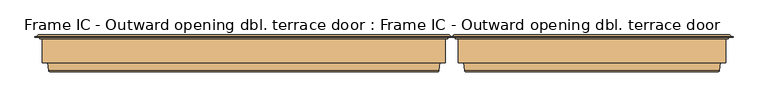
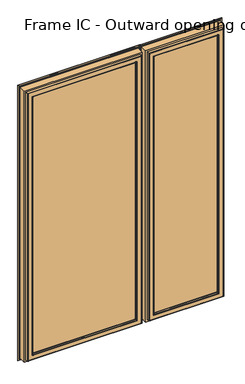
"""IFC4 building model written with IfcOpenShell, lengths in millimetres: door geometry, Frame IC - Outward opening dbl. terrace door : Frame IC - Outward opening dbl. terrace door."""

from ifc_helpers import new_model, si_unit, frame, origin, place, context, project, spatial, polyline, ellipse_curve, outline, extrude, source, transform, mapped, element, save
from ifc_brep_helpers import plane_surface, cylinder_surface, revolved_surface, advanced_brep


def frame_ic_outward_opening_dbl_terrace_door_frame_ic_outward_a9d4e4e5(model_context):
    return source(origin(), model_context, "Body", "SolidModel", [
        advanced_brep(
        [(358.1810635, 152.25, 86.6650635), (826.8509365, 152.25, 86.6650635), (831.1810635, 152.25, 82.3349365), (353.8509365, 152.25, 82.3349365), (314.016, 148.6168436, 2052.5), (314.016, 148.6168436, 42.5), (314.016, 145.5999985, 42.5), (314.016, 145.5999985, 2052.5), (312.0232373, 153.0, 2054.4927627), (312.0232373, 153.0, 40.5072373), (309.5015253, 150.478288, 37.9855253), (309.5015253, 150.478288, 2057.0144747), (366.6910766, 151.5847434, 1999.8249234), (366.6910766, 151.5847434, 95.1750766), (364.7784671, 153.0, 93.2624671), (364.7784671, 153.0, 2001.7375329), (369.5233403, 142.3208261, 1996.9926597), (369.5233403, 142.3208261, 98.0073403), (369.5233403, 141.0, 1996.9926597), (369.5233403, 141.0, 98.0073403), (351.1489982, 93.0, 2015.3670018), (351.1489982, 93.0, 79.6329982), (345.2553392, 141.0, 73.7393392), (345.2553392, 141.0, 2021.2606608), (369.516, 90.0, 1997.0), (369.516, 90.0, 98.0), (369.516, 93.0, 98.0), (369.516, 93.0, 1997.0), (369.4941475, 88.7920883, 1997.0218525), (369.4941475, 88.7920883, 97.9781475), (368.5159999, 90.0, 96.9999999), (368.5159999, 90.0, 1998.0000001), (367.7053091, 80.376265, 1998.8106909), (367.7053091, 80.376265, 96.1893091), (364.7708663, 78.0, 2001.7451337), (364.7708663, 78.0, 93.2548663), (332.9541949, 79.7562613, 2033.5618051), (332.9541949, 79.7562613, 61.4381949), (334.9392872, 78.0, 63.4232872), (334.9392872, 78.0, 2031.5767128), (330.9597146, 96.0, 2035.5562854), (330.9597146, 96.0, 59.4437146), (319.516, 145.5999985, 2047.0), (319.516, 145.5999985, 48.0), (319.516, 96.0, 48.0), (319.516, 96.0, 2047.0), (871.016, 148.6168436, 42.5), (871.016, 145.5999985, 42.5), (873.0087627, 153.0, 40.5072373), (875.5304747, 150.478288, 37.9855253), (818.3409234, 151.5847434, 95.1750766), (820.2535329, 153.0, 93.2624671), (815.5086597, 142.3208261, 98.0073403), (815.5086597, 141.0, 98.0073403), (833.8830018, 93.0, 79.6329982), (839.7766608, 141.0, 73.7393392), (815.516, 90.0, 98.0), (815.516, 93.0, 98.0), (815.5378525, 88.7920883, 97.9781475), (816.5160001, 90.0, 96.9999999), (817.3266909, 80.376265, 96.1893091), (820.2611337, 78.0, 93.2548663), (852.0778051, 79.7562613, 61.4381949), (850.0927128, 78.0, 63.4232872), (854.0722854, 96.0, 59.4437146), (865.516, 145.5999985, 48.0), (865.516, 96.0, 48.0), (871.016, 148.6168436, 2052.5), (871.016, 145.5999985, 2052.5), (873.0087627, 153.0, 2054.4927627), (875.5304747, 150.478288, 2057.0144747), (818.3409234, 151.5847434, 1999.8249234), (820.2535329, 153.0, 2001.7375329), (815.5086597, 142.3208261, 1996.9926597), (815.5086597, 141.0, 1996.9926597), (833.8830018, 93.0, 2015.3670018), (839.7766608, 141.0, 2021.2606608), (815.516, 90.0, 1997.0), (815.516, 93.0, 1997.0), (815.5378525, 88.7920883, 1997.0218525), (816.5160001, 90.0, 1998.0000001), (817.3266909, 80.376265, 1998.8106909), (820.2611337, 78.0, 2001.7451337), (852.0778051, 79.7562613, 2033.5618051), (850.0927128, 78.0, 2031.5767128), (854.0722854, 96.0, 2035.5562854), (865.516, 145.5999985, 2047.0), (865.516, 96.0, 2047.0), (304.3162849, 149.6865589, 32.8002849), (304.3162849, 149.6865589, 2062.1997151), (880.7157151, 149.6865589, 2062.1997151), (880.7157151, 149.6865589, 32.8002849), (309.5015253, 149.6865589, 2057.0144747), (309.5015253, 149.6865589, 37.9855253), (875.5304747, 149.6865589, 37.9855253), (875.5304747, 149.6865589, 2057.0144747), (359.4801016, 153.0, 87.9641016), (359.4801016, 153.0, 2007.0358984), (825.5518984, 153.0, 2007.0358984), (825.5518984, 153.0, 87.9641016), (304.3162849, 148.6168436, 32.8002849), (304.3162849, 148.6168436, 2062.1997151), (880.7157151, 148.6168436, 32.8002849), (880.7157151, 148.6168436, 2062.1997151), (353.8509365, 152.25, 2012.6650635), (352.5518984, 153.0, 81.0358984), (352.5518984, 153.0, 2013.9641016), (358.1810635, 152.25, 2008.3349365), (832.4801016, 153.0, 81.0358984), (831.1810635, 152.25, 2012.6650635), (832.4801016, 153.0, 2013.9641016), (826.8509365, 152.25, 2008.3349365)],
        [
            (0, 1),
            (1, 2, ellipse_curve(frame((829.016, 153.5, 84.5), z_axis=(0.7071067811865475, 0.0, 0.7071067811865475), x_axis=(0.7071067811865476, 0.0, -0.7071067811865474)), 3.5355339, 2.5)),
            (2, 3),
            (3, 0, ellipse_curve(frame((356.016, 153.5, 84.5), z_axis=(-0.7071067811865475, 0.0, 0.7071067811865475), x_axis=(0.7071067811865476, 0.0, 0.7071067811865474)), 3.5355339, 2.5)),
            (4, 5),
            (5, 6),
            (6, 7),
            (7, 4),
            (8, 9),
            (9, 10, ellipse_curve(frame((312.0232373, 150.478288, 40.5072373), z_axis=(-0.7071067811865475, 0.0, 0.7071067811865475), x_axis=(0.7071067811865474, 0.0, 0.7071067811865476)), 3.5662393, 2.521712)),
            (10, 11),
            (11, 8, ellipse_curve(frame((312.0232373, 150.478288, 2054.4927627), z_axis=(-0.7071067811865475, 0.0, -0.7071067811865475), x_axis=(-0.7071067811865474, 0.0, 0.7071067811865476)), 3.5662393, 2.521712)),
            (12, 13),
            (13, 14, ellipse_curve(frame((364.7784671, 151.0, 93.2624671), z_axis=(-0.7071067811865475, 0.0, 0.7071067811865475), x_axis=(0.7071067811865474, 0.0, 0.7071067811865476)), 2.8284271, 2.0)),
            (14, 15),
            (15, 12, ellipse_curve(frame((364.7784671, 151.0, 2001.7375329), z_axis=(-0.7071067811865475, 0.0, -0.7071067811865475), x_axis=(-0.7071067811865474, 0.0, 0.7071067811865476)), 2.8284271, 2.0)),
            (16, 17),
            (17, 13),
            (12, 16),
            (18, 19),
            (19, 17),
            (16, 18),
            (20, 21),
            (21, 22),
            (22, 23),
            (23, 20),
            (24, 25),
            (25, 26),
            (26, 27),
            (27, 24),
            (28, 29),
            (29, 30, ellipse_curve(frame((368.5159999, 89.0, 96.9999999), z_axis=(-0.7071067811865475, 0.0, 0.7071067811865475), x_axis=(0.7071067811865474, 0.0, 0.7071067811865476)), 1.4142136, 1.0)),
            (30, 31),
            (31, 28, ellipse_curve(frame((368.5159999, 89.0, 1998.0000001), z_axis=(-0.7071067811865475, 0.0, -0.7071067811865475), x_axis=(-0.7071067811865474, 0.0, 0.7071067811865476)), 1.4142136, 1.0)),
            (32, 33),
            (33, 29),
            (28, 32),
            (34, 35),
            (35, 33, ellipse_curve(frame((364.7708663, 81.0, 93.2548663), z_axis=(-0.7071067811865475, 0.0, 0.7071067811865475), x_axis=(0.7071067811865474, 0.0, 0.7071067811865476)), 4.2426407, 3.0)),
            (32, 34, ellipse_curve(frame((364.7708663, 81.0, 2001.7451337), z_axis=(-0.7071067811865475, 0.0, -0.7071067811865475), x_axis=(-0.7071067811865474, 0.0, 0.7071067811865476)), 4.2426407, 3.0)),
            (36, 37),
            (37, 38, ellipse_curve(frame((334.9392872, 80.0, 63.4232872), z_axis=(-0.7071067811865475, 0.0, 0.7071067811865475), x_axis=(0.7071067811865474, 0.0, 0.7071067811865476)), 2.8284271, 2.0)),
            (38, 39),
            (39, 36, ellipse_curve(frame((334.9392872, 80.0, 2031.5767128), z_axis=(-0.7071067811865475, 0.0, -0.7071067811865475), x_axis=(-0.7071067811865474, 0.0, 0.7071067811865476)), 2.8284271, 2.0)),
            (40, 41),
            (41, 37),
            (36, 40),
            (42, 43),
            (43, 44),
            (44, 45),
            (45, 42),
            (5, 46),
            (46, 47),
            (47, 6),
            (9, 48),
            (48, 49, ellipse_curve(frame((873.0087627, 150.478288, 40.5072373), z_axis=(-0.7071067811865475, 0.0, -0.7071067811865475), x_axis=(-0.7071067811865476, 0.0, 0.7071067811865474)), 3.5662393, 2.521712)),
            (49, 10),
            (13, 50),
            (50, 51, ellipse_curve(frame((820.2535329, 151.0, 93.2624671), z_axis=(-0.7071067811865475, 0.0, -0.7071067811865475), x_axis=(-0.7071067811865476, 0.0, 0.7071067811865474)), 2.8284271, 2.0)),
            (51, 14),
            (17, 52),
            (52, 50),
            (19, 53),
            (53, 52),
            (21, 54),
            (54, 55),
            (55, 22),
            (25, 56),
            (56, 57),
            (57, 26),
            (29, 58),
            (58, 59, ellipse_curve(frame((816.5160001, 89.0, 96.9999999), z_axis=(-0.7071067811865475, 0.0, -0.7071067811865475), x_axis=(-0.7071067811865476, 0.0, 0.7071067811865474)), 1.4142136, 1.0)),
            (59, 30),
            (33, 60),
            (60, 58),
            (35, 61),
            (61, 60, ellipse_curve(frame((820.2611337, 81.0, 93.2548663), z_axis=(-0.7071067811865475, 0.0, -0.7071067811865475), x_axis=(-0.7071067811865476, 0.0, 0.7071067811865474)), 4.2426407, 3.0)),
            (37, 62),
            (62, 63, ellipse_curve(frame((850.0927128, 80.0, 63.4232872), z_axis=(-0.7071067811865475, 0.0, -0.7071067811865475), x_axis=(-0.7071067811865476, 0.0, 0.7071067811865474)), 2.8284271, 2.0)),
            (63, 38),
            (41, 64),
            (64, 62),
            (43, 65),
            (65, 66),
            (66, 44),
            (46, 67),
            (67, 68),
            (68, 47),
            (48, 69),
            (69, 70, ellipse_curve(frame((873.0087627, 150.478288, 2054.4927627), z_axis=(0.7071067811865475, 0.0, -0.7071067811865475), x_axis=(-0.7071067811865474, 0.0, -0.7071067811865476)), 3.5662393, 2.521712)),
            (70, 49),
            (50, 71),
            (71, 72, ellipse_curve(frame((820.2535329, 151.0, 2001.7375329), z_axis=(0.7071067811865475, 0.0, -0.7071067811865475), x_axis=(-0.7071067811865474, 0.0, -0.7071067811865476)), 2.8284271, 2.0)),
            (72, 51),
            (52, 73),
            (73, 71),
            (53, 74),
            (74, 73),
            (54, 75),
            (75, 76),
            (76, 55),
            (56, 77),
            (77, 78),
            (78, 57),
            (58, 79),
            (79, 80, ellipse_curve(frame((816.5160001, 89.0, 1998.0000001), z_axis=(0.7071067811865475, 0.0, -0.7071067811865475), x_axis=(-0.7071067811865474, 0.0, -0.7071067811865476)), 1.4142136, 1.0)),
            (80, 59),
            (60, 81),
            (81, 79),
            (61, 82),
            (82, 81, ellipse_curve(frame((820.2611337, 81.0, 2001.7451337), z_axis=(0.7071067811865475, 0.0, -0.7071067811865475), x_axis=(-0.7071067811865474, 0.0, -0.7071067811865476)), 4.2426407, 3.0)),
            (62, 83),
            (83, 84, ellipse_curve(frame((850.0927128, 80.0, 2031.5767128), z_axis=(0.7071067811865475, 0.0, -0.7071067811865475), x_axis=(-0.7071067811865474, 0.0, -0.7071067811865476)), 2.8284271, 2.0)),
            (84, 63),
            (64, 85),
            (85, 83),
            (65, 86),
            (86, 87),
            (87, 66),
            (68, 7),
            (42, 86),
            (67, 4),
            (88, 89),
            (89, 90),
            (90, 91),
            (91, 88),
            (92, 93),
            (93, 94),
            (94, 95),
            (95, 92),
            (69, 8),
            (11, 70),
            (96, 97),
            (97, 98),
            (98, 99),
            (99, 96),
            (72, 15),
            (71, 12),
            (73, 16),
            (74, 18),
            (76, 23),
            (75, 20),
            (78, 27),
            (77, 24),
            (80, 31),
            (79, 28),
            (81, 32),
            (82, 34),
            (84, 39),
            (83, 36),
            (85, 40),
            (87, 45),
            (88, 100),
            (100, 101),
            (101, 89),
            (10, 93),
            (92, 11),
            (91, 102),
            (102, 100),
            (49, 94),
            (90, 103),
            (103, 102),
            (70, 95),
            (103, 101),
            (104, 3),
            (3, 105, ellipse_curve(frame((352.5518984, 151.5, 81.0358984), z_axis=(-0.7071067811865475, 0.0, 0.7071067811865475), x_axis=(0.7071067811865474, 0.0, 0.7071067811865476)), 2.1213203, 1.5)),
            (105, 106),
            (106, 104, ellipse_curve(frame((352.5518984, 151.5, 2013.9641016), z_axis=(-0.7071067811865475, 0.0, -0.7071067811865475), x_axis=(-0.7071067811865474, 0.0, 0.7071067811865476)), 2.1213203, 1.5)),
            (107, 0),
            (104, 107, ellipse_curve(frame((356.016, 153.5, 2010.5), z_axis=(0.7071067811865475, 0.0, 0.7071067811865475), x_axis=(0.7071067811865474, 0.0, -0.7071067811865476)), 3.5355339, 2.5)),
            (96, 0, ellipse_curve(frame((359.4801016, 151.5, 87.9641016), z_axis=(-0.7071067811865475, 0.0, 0.7071067811865475), x_axis=(0.7071067811865474, 0.0, 0.7071067811865476)), 2.1213203, 1.5)),
            (107, 97, ellipse_curve(frame((359.4801016, 151.5, 2007.0358984), z_axis=(-0.7071067811865475, 0.0, -0.7071067811865475), x_axis=(-0.7071067811865474, 0.0, 0.7071067811865476)), 2.1213203, 1.5)),
            (2, 108, ellipse_curve(frame((832.4801016, 151.5, 81.0358984), z_axis=(-0.7071067811865475, 0.0, -0.7071067811865475), x_axis=(-0.7071067811865476, 0.0, 0.7071067811865474)), 2.1213203, 1.5)),
            (108, 105),
            (99, 1, ellipse_curve(frame((825.5518984, 151.5, 87.9641016), z_axis=(-0.7071067811865475, 0.0, -0.7071067811865475), x_axis=(-0.7071067811865476, 0.0, 0.7071067811865474)), 2.1213203, 1.5)),
            (2, 109),
            (109, 110, ellipse_curve(frame((832.4801016, 151.5, 2013.9641016), z_axis=(0.7071067811865475, 0.0, -0.7071067811865475), x_axis=(-0.7071067811865474, 0.0, -0.7071067811865476)), 2.1213203, 1.5)),
            (110, 108),
            (1, 111),
            (111, 109, ellipse_curve(frame((829.016, 153.5, 2010.5), z_axis=(-0.7071067811865475, 0.0, 0.7071067811865475), x_axis=(0.7071067811865474, 0.0, 0.7071067811865476)), 3.5355339, 2.5)),
            (98, 111, ellipse_curve(frame((825.5518984, 151.5, 2007.0358984), z_axis=(0.7071067811865475, 0.0, -0.7071067811865475), x_axis=(-0.7071067811865474, 0.0, -0.7071067811865476)), 2.1213203, 1.5)),
            (110, 106),
            (109, 104),
            (111, 107),
        ],
        [
            revolved_surface(polyline([(831.5159999958048, 151.0, 84.5), (353.5160000041951, 151.0, 84.5)]), (319.516, 153.5, 84.5), (1.0, 0.0, 0.0)),
            plane_surface(frame((314.016, 145.5999985, 2052.5), z_axis=(-1.0, 0.0, 0.0), x_axis=(0.0, 0.0, -1.0))),
            cylinder_surface(frame((312.0232373, 150.478288, 2047.0), z_axis=(0.0, 0.0, 1.0), x_axis=(0.0, -1.0, 0.0)), 2.521712),
            cylinder_surface(frame((364.7784671, 151.0, 2047.0), z_axis=(0.0, 0.0, 1.0), x_axis=(0.0, -1.0, 0.0)), 2.0),
            plane_surface(frame((366.6910766, 151.5847434, 1999.8249234), z_axis=(0.9563047559629807, 0.2923717047229163, 0.0), x_axis=(0.0, 0.0, -1.0))),
            plane_surface(frame((369.5233403, 142.3208261, 1996.9926597), z_axis=(1.0, 0.0, 0.0), x_axis=(0.0, 0.0, -1.0))),
            plane_surface(frame((345.2553392, 141.0, 2021.2606608), z_axis=(0.9925461516413233, 0.12186934340513725, 0.0), x_axis=(0.0, 0.0, -1.0))),
            plane_surface(frame((369.516, 93.0, 1997.0), z_axis=(1.0, 0.0, 0.0), x_axis=(0.0, 0.0, -1.0))),
            cylinder_surface(frame((368.5159999, 89.0, 2047.0), z_axis=(0.0, 0.0, 1.0), x_axis=(0.0, -1.0, 0.0)), 1.0),
            plane_surface(frame((369.4941475, 88.7920883, 1997.0218525), z_axis=(0.9781476042228762, -0.2079116744029725, 0.0), x_axis=(0.0, 0.0, -1.0))),
            cylinder_surface(frame((364.7708663, 81.0, 2047.0), z_axis=(0.0, 0.0, 1.0), x_axis=(0.0, -1.0, 0.0)), 3.0),
            cylinder_surface(frame((334.9392872, 80.0, 2047.0), z_axis=(0.0, 0.0, 1.0), x_axis=(0.0, -1.0, 0.0)), 2.0),
            plane_surface(frame((332.9541949, 79.7562613, 2033.5618051), z_axis=(-0.9925461516416141, -0.12186934340276924, 0.0), x_axis=(0.0, 0.0, -1.0))),
            plane_surface(frame((319.516, 96.0, 2047.0), z_axis=(-1.0, 0.0, 0.0), x_axis=(0.0, 0.0, -1.0))),
            plane_surface(frame((314.016, 145.5999985, 42.5), z_axis=(0.0, 0.0, -1.0), x_axis=(1.0, 0.0, 0.0))),
            cylinder_surface(frame((319.516, 150.478288, 40.5072373), z_axis=(-1.0, 0.0, 0.0), x_axis=(0.0, -1.0, 0.0)), 2.521712),
            cylinder_surface(frame((319.516, 151.0, 93.2624671), z_axis=(-1.0, 0.0, 0.0), x_axis=(0.0, -1.0, 0.0)), 2.0),
            plane_surface(frame((366.6910766, 151.5847434, 95.1750766), z_axis=(0.0, 0.2923717047229163, 0.9563047559629807), x_axis=(1.0, 0.0, 0.0))),
            plane_surface(frame((369.5233403, 142.3208261, 98.0073403), z_axis=(0.0, 0.0, 1.0), x_axis=(1.0, 0.0, 0.0))),
            plane_surface(frame((345.2553392, 141.0, 73.7393392), z_axis=(0.0, 0.12186934340513725, 0.9925461516413233), x_axis=(1.0, 0.0, 0.0))),
            plane_surface(frame((369.516, 93.0, 98.0), z_axis=(0.0, 0.0, 1.0), x_axis=(1.0, 0.0, 0.0))),
            cylinder_surface(frame((319.516, 89.0, 96.9999999), z_axis=(-1.0, 0.0, 0.0), x_axis=(0.0, -1.0, 0.0)), 1.0),
            plane_surface(frame((369.4941475, 88.7920883, 97.9781475), z_axis=(0.0, -0.2079116744029725, 0.9781476042228762), x_axis=(1.0, 0.0, 0.0))),
            cylinder_surface(frame((319.516, 81.0, 93.2548663), z_axis=(-1.0, 0.0, 0.0), x_axis=(0.0, -1.0, 0.0)), 3.0),
            cylinder_surface(frame((319.516, 80.0, 63.4232872), z_axis=(-1.0, 0.0, 0.0), x_axis=(0.0, -1.0, 0.0)), 2.0),
            plane_surface(frame((332.9541949, 79.7562613, 61.4381949), z_axis=(0.0, -0.12186934340276924, -0.9925461516416141), x_axis=(1.0, 0.0, 0.0))),
            plane_surface(frame((319.516, 96.0, 48.0), z_axis=(0.0, 0.0, -1.0), x_axis=(1.0, 0.0, 0.0))),
            plane_surface(frame((871.016, 145.5999985, 42.5), z_axis=(1.0, 0.0, 0.0), x_axis=(0.0, 0.0, 1.0))),
            cylinder_surface(frame((873.0087627, 150.478288, 48.0), z_axis=(0.0, 0.0, -1.0), x_axis=(0.0, -1.0, 0.0)), 2.521712),
            cylinder_surface(frame((820.2535329, 151.0, 48.0), z_axis=(0.0, 0.0, -1.0), x_axis=(0.0, -1.0, 0.0)), 2.0),
            plane_surface(frame((818.3409234, 151.5847434, 95.1750766), z_axis=(-0.9563047559629807, 0.2923717047229163, 0.0), x_axis=(0.0, 0.0, 1.0))),
            plane_surface(frame((815.5086597, 142.3208261, 98.0073403), z_axis=(-1.0, 0.0, 0.0), x_axis=(0.0, 0.0, 1.0))),
            plane_surface(frame((839.7766608, 141.0, 73.7393392), z_axis=(-0.9925461516413233, 0.12186934340513725, 0.0), x_axis=(0.0, 0.0, 1.0))),
            plane_surface(frame((815.516, 93.0, 98.0), z_axis=(-1.0, 0.0, 0.0), x_axis=(0.0, 0.0, 1.0))),
            cylinder_surface(frame((816.5160001, 89.0, 48.0), z_axis=(0.0, 0.0, -1.0), x_axis=(0.0, -1.0, 0.0)), 1.0),
            plane_surface(frame((815.5378525, 88.7920883, 97.9781475), z_axis=(-0.9781476042228762, -0.2079116744029725, 0.0), x_axis=(0.0, 0.0, 1.0))),
            cylinder_surface(frame((820.2611337, 81.0, 48.0), z_axis=(0.0, 0.0, -1.0), x_axis=(0.0, -1.0, 0.0)), 3.0),
            cylinder_surface(frame((850.0927128, 80.0, 48.0), z_axis=(0.0, 0.0, -1.0), x_axis=(0.0, -1.0, 0.0)), 2.0),
            plane_surface(frame((852.0778051, 79.7562613, 61.4381949), z_axis=(0.9925461516416141, -0.12186934340276924, 0.0), x_axis=(0.0, 0.0, 1.0))),
            plane_surface(frame((865.516, 96.0, 48.0), z_axis=(1.0, 0.0, 0.0), x_axis=(0.0, 0.0, 1.0))),
            plane_surface(frame((865.516, 145.5999985, 2047.0), z_axis=(0.0, -1.0, 0.0), x_axis=(-1.0, 0.0, 0.0))),
            plane_surface(frame((871.016, 145.5999985, 2052.5), z_axis=(0.0, 0.0, 1.0), x_axis=(-1.0, 0.0, 0.0))),
            plane_surface(frame((880.7157151, 149.6865589, 2062.1997151), z_axis=(0.0, 1.0, 0.0), x_axis=(-1.0, 0.0, 0.0))),
            cylinder_surface(frame((865.516, 150.478288, 2054.4927627), z_axis=(1.0, 0.0, 0.0), x_axis=(0.0, -1.0, 0.0)), 2.521712),
            plane_surface(frame((825.5518984, 153.0, 2007.0358984), z_axis=(0.0, 1.0, 0.0), x_axis=(-1.0, 0.0, 0.0))),
            cylinder_surface(frame((865.516, 151.0, 2001.7375329), z_axis=(1.0, 0.0, 0.0), x_axis=(0.0, -1.0, 0.0)), 2.0),
            plane_surface(frame((818.3409234, 151.5847434, 1999.8249234), z_axis=(0.0, 0.2923717047229163, -0.9563047559629807), x_axis=(-1.0, 0.0, 0.0))),
            plane_surface(frame((815.5086597, 142.3208261, 1996.9926597), z_axis=(0.0, 0.0, -1.0), x_axis=(-1.0, 0.0, 0.0))),
            plane_surface(frame((815.5086597, 141.0, 1996.9926597), z_axis=(0.0, -1.0, 0.0), x_axis=(-1.0, 0.0, 0.0))),
            plane_surface(frame((839.7766608, 141.0, 2021.2606608), z_axis=(0.0, 0.12186934340513725, -0.9925461516413233), x_axis=(-1.0, 0.0, 0.0))),
            plane_surface(frame((833.8830018, 93.0, 2015.3670018), z_axis=(0.0, 1.0, 0.0), x_axis=(-1.0, 0.0, 0.0))),
            plane_surface(frame((815.516, 93.0, 1997.0), z_axis=(0.0, 0.0, -1.0), x_axis=(-1.0, 0.0, 0.0))),
            plane_surface(frame((815.516, 90.0, 1997.0), z_axis=(0.0, -1.0, 0.0), x_axis=(-1.0, 0.0, 0.0))),
            cylinder_surface(frame((865.516, 89.0, 1998.0000001), z_axis=(1.0, 0.0, 0.0), x_axis=(0.0, -1.0, 0.0)), 1.0),
            plane_surface(frame((815.5378525, 88.7920883, 1997.0218525), z_axis=(0.0, -0.2079116744029725, -0.9781476042228762), x_axis=(-1.0, 0.0, 0.0))),
            cylinder_surface(frame((865.516, 81.0, 2001.7451337), z_axis=(1.0, 0.0, 0.0), x_axis=(0.0, -1.0, 0.0)), 3.0),
            plane_surface(frame((820.2611337, 78.0, 2001.7451337), z_axis=(0.0, -1.0, 0.0), x_axis=(-1.0, 0.0, 0.0))),
            cylinder_surface(frame((865.516, 80.0, 2031.5767128), z_axis=(1.0, 0.0, 0.0), x_axis=(0.0, -1.0, 0.0)), 2.0),
            plane_surface(frame((852.0778051, 79.7562613, 2033.5618051), z_axis=(0.0, -0.12186934340276924, 0.9925461516416141), x_axis=(-1.0, 0.0, 0.0))),
            plane_surface(frame((854.0722854, 96.0, 2035.5562854), z_axis=(0.0, -1.0, 0.0), x_axis=(-1.0, 0.0, 0.0))),
            plane_surface(frame((865.516, 96.0, 2047.0), z_axis=(0.0, 0.0, 1.0), x_axis=(-1.0, 0.0, 0.0))),
            plane_surface(frame((304.3162849, 148.6168436, 2062.1997151), z_axis=(-1.0, 0.0, 0.0), x_axis=(0.0, 0.0, -1.0))),
            plane_surface(frame((309.5015253, 149.6865589, 2057.0144747), z_axis=(-1.0, 0.0, 0.0), x_axis=(0.0, 0.0, -1.0))),
            plane_surface(frame((304.3162849, 148.6168436, 32.8002849), z_axis=(0.0, 0.0, -1.0), x_axis=(1.0, 0.0, 0.0))),
            plane_surface(frame((309.5015253, 149.6865589, 37.9855253), z_axis=(0.0, 0.0, -1.0), x_axis=(1.0, 0.0, 0.0))),
            plane_surface(frame((880.7157151, 148.6168436, 32.8002849), z_axis=(1.0, 0.0, 0.0), x_axis=(0.0, 0.0, 1.0))),
            plane_surface(frame((875.5304747, 149.6865589, 37.9855253), z_axis=(1.0, 0.0, 0.0), x_axis=(0.0, 0.0, 1.0))),
            plane_surface(frame((871.016, 148.6168436, 2052.5), z_axis=(0.0, -1.0, 0.0), x_axis=(-1.0, 0.0, 0.0))),
            plane_surface(frame((880.7157151, 148.6168436, 2062.1997151), z_axis=(0.0, 0.0, 1.0), x_axis=(-1.0, 0.0, 0.0))),
            plane_surface(frame((875.5304747, 149.6865589, 2057.0144747), z_axis=(0.0, 0.0, 1.0), x_axis=(-1.0, 0.0, 0.0))),
            cylinder_surface(frame((352.5518984, 151.5, 2047.0), z_axis=(0.0, 0.0, 1.0), x_axis=(0.0, -1.0, 0.0)), 1.5),
            revolved_surface(polyline([(356.016, 151.0, 82.00000000419504), (356.016, 151.0, 2012.999999995805)]), (356.016, 153.5, 2047.0), (0.0, 0.0, -1.0)),
            cylinder_surface(frame((359.4801016, 151.5, 2047.0), z_axis=(0.0, 0.0, 1.0), x_axis=(0.0, -1.0, 0.0)), 1.5),
            cylinder_surface(frame((319.516, 151.5, 81.0358984), z_axis=(-1.0, 0.0, 0.0), x_axis=(0.0, -1.0, 0.0)), 1.5),
            cylinder_surface(frame((319.516, 151.5, 87.9641016), z_axis=(-1.0, 0.0, 0.0), x_axis=(0.0, -1.0, 0.0)), 1.5),
            cylinder_surface(frame((832.4801016, 151.5, 48.0), z_axis=(0.0, 0.0, -1.0), x_axis=(0.0, -1.0, 0.0)), 1.5),
            revolved_surface(polyline([(829.016, 151.0, 2012.999999995805), (829.016, 151.0, 82.00000000419507)]), (829.016, 153.5, 48.0), (0.0, 0.0, 1.0)),
            cylinder_surface(frame((825.5518984, 151.5, 48.0), z_axis=(0.0, 0.0, -1.0), x_axis=(0.0, -1.0, 0.0)), 1.5),
            plane_surface(frame((873.0087627, 153.0, 2054.4927627), z_axis=(0.0, 1.0, 0.0), x_axis=(-1.0, 0.0, 0.0))),
            cylinder_surface(frame((865.516, 151.5, 2013.9641016), z_axis=(1.0, 0.0, 0.0), x_axis=(0.0, -1.0, 0.0)), 1.5),
            revolved_surface(polyline([(353.5160000041951, 151.0, 2010.5), (831.5159999958049, 151.0, 2010.5)]), (865.516, 153.5, 2010.5), (-1.0, 0.0, 0.0)),
            cylinder_surface(frame((865.516, 151.5, 2007.0358984), z_axis=(1.0, 0.0, 0.0), x_axis=(0.0, -1.0, 0.0)), 1.5),
        ],
        [
            (0, [[1, 2, 3, 4]]),
            (1, [[5, 6, 7, 8]]),
            (2, [[9, 10, 11, 12]]),
            (3, [[13, 14, 15, 16]]),
            (4, [[17, 18, -13, 19]]),
            (5, [[20, 21, -17, 22]]),
            (6, [[23, 24, 25, 26]]),
            (7, [[27, 28, 29, 30]]),
            (8, [[31, 32, 33, 34]]),
            (9, [[35, 36, -31, 37]]),
            (10, [[38, 39, -35, 40]]),
            (11, [[41, 42, 43, 44]]),
            (12, [[45, 46, -41, 47]]),
            (13, [[48, 49, 50, 51]]),
            (14, [[52, 53, 54, -6]]),
            (15, [[55, 56, 57, -10]]),
            (16, [[58, 59, 60, -14]]),
            (17, [[61, 62, -58, -18]]),
            (18, [[63, 64, -61, -21]]),
            (19, [[65, 66, 67, -24]]),
            (20, [[68, 69, 70, -28]]),
            (21, [[71, 72, 73, -32]]),
            (22, [[74, 75, -71, -36]]),
            (23, [[76, 77, -74, -39]]),
            (24, [[78, 79, 80, -42]]),
            (25, [[81, 82, -78, -46]]),
            (26, [[83, 84, 85, -49]]),
            (27, [[86, 87, 88, -53]]),
            (28, [[89, 90, 91, -56]]),
            (29, [[92, 93, 94, -59]]),
            (30, [[95, 96, -92, -62]]),
            (31, [[97, 98, -95, -64]]),
            (32, [[99, 100, 101, -66]]),
            (33, [[102, 103, 104, -69]]),
            (34, [[105, 106, 107, -72]]),
            (35, [[108, 109, -105, -75]]),
            (36, [[110, 111, -108, -77]]),
            (37, [[112, 113, 114, -79]]),
            (38, [[115, 116, -112, -82]]),
            (39, [[117, 118, 119, -84]]),
            (40, [[-7, -54, -88, 120], [-48, 121, -117, -83]]),
            (41, [[122, -8, -120, -87]]),
            (42, [[123, 124, 125, 126], [127, 128, 129, 130]]),
            (43, [[131, -12, 132, -90]]),
            (44, [[133, 134, 135, 136], [-15, -60, -94, 137]]),
            (45, [[138, -16, -137, -93]]),
            (46, [[139, -19, -138, -96]]),
            (47, [[140, -22, -139, -98]]),
            (48, [[-25, -67, -101, 141], [-20, -140, -97, -63]]),
            (49, [[142, -26, -141, -100]]),
            (50, [[-23, -142, -99, -65], [-29, -70, -104, 143]]),
            (51, [[144, -30, -143, -103]]),
            (52, [[-33, -73, -107, 145], [-27, -144, -102, -68]]),
            (53, [[146, -34, -145, -106]]),
            (54, [[147, -37, -146, -109]]),
            (55, [[148, -40, -147, -111]]),
            (56, [[-43, -80, -114, 149], [-38, -148, -110, -76]]),
            (57, [[150, -44, -149, -113]]),
            (58, [[151, -47, -150, -116]]),
            (59, [[-50, -85, -119, 152], [-45, -151, -115, -81]]),
            (60, [[-121, -51, -152, -118]]),
            (61, [[-123, 153, 154, 155]]),
            (62, [[-11, 156, -127, 157]]),
            (63, [[-126, 158, 159, -153]]),
            (64, [[-57, 160, -128, -156]]),
            (65, [[-125, 161, 162, -158]]),
            (66, [[-91, 163, -129, -160]]),
            (67, [[-154, -159, -162, 164], [-5, -122, -86, -52]]),
            (68, [[-124, -155, -164, -161]]),
            (69, [[-132, -157, -130, -163]]),
            (70, [[165, 166, 167, 168]]),
            (71, [[169, -4, -165, 170]]),
            (72, [[-133, 171, -169, 172]]),
            (73, [[-3, 173, 174, -166]]),
            (74, [[-136, 175, -1, -171]]),
            (75, [[176, 177, 178, -173]]),
            (76, [[179, 180, -176, -2]]),
            (77, [[-135, 181, -179, -175]]),
            (78, [[-9, -131, -89, -55], [-167, -174, -178, 182]]),
            (79, [[183, -168, -182, -177]]),
            (80, [[184, -170, -183, -180]]),
            (81, [[-134, -172, -184, -181]]),
        ],
    ),
        extrude(outline(polyline([(356.516, 93.0110098), (356.516, 141.0110098), (828.516, 141.0110098), (828.516, 93.0110098), (356.516, 93.0110098)])), frame((0.0, 0.0, 85.0), z_axis=(0.0, 0.0, 1.0), x_axis=(1.0, 0.0, 0.0)), (0.0, 0.0, 1.0), 1925.0),
        advanced_brep(
        [(254.8509365, 152.25, 86.6650635), (259.1810635, 152.25, 82.3349365), (-494.1490635, 152.25, 82.3349365), (-489.8189365, 152.25, 86.6650635), (299.016, 148.6168436, 2052.5), (299.016, 145.5999985, 2052.5), (299.016, 145.5999985, 42.5), (299.016, 148.6168436, 42.5), (301.0087627, 153.0, 2054.4927627), (303.5304747, 150.478288, 2057.0144747), (303.5304747, 150.478288, 37.9855253), (301.0087627, 153.0, 40.5072373), (246.3409234, 151.5847434, 1999.8249234), (248.2535329, 153.0, 2001.7375329), (248.2535329, 153.0, 93.2624671), (246.3409234, 151.5847434, 95.1750766), (243.5086597, 142.3208261, 1996.9926597), (243.5086597, 142.3208261, 98.0073403), (243.5086597, 141.0, 1996.9926597), (243.5086597, 141.0, 98.0073403), (261.8830018, 93.0, 2015.3670018), (267.7766608, 141.0, 2021.2606608), (267.7766608, 141.0, 73.7393392), (261.8830018, 93.0, 79.6329982), (243.516, 90.0, 1997.0), (243.516, 93.0, 1997.0), (243.516, 93.0, 98.0), (243.516, 90.0, 98.0), (243.5378525, 88.7920883, 1997.0218525), (244.5160001, 90.0, 1998.0000001), (244.5160001, 90.0, 96.9999999), (243.5378525, 88.7920883, 97.9781475), (245.3266909, 80.376265, 1998.8106909), (245.3266909, 80.376265, 96.1893091), (248.2611337, 78.0, 2001.7451337), (248.2611337, 78.0, 93.2548663), (280.0778051, 79.7562613, 2033.5618051), (278.0927128, 78.0, 2031.5767128), (278.0927128, 78.0, 63.4232872), (280.0778051, 79.7562613, 61.4381949), (282.0722854, 96.0, 2035.5562854), (282.0722854, 96.0, 59.4437146), (293.516, 145.5999985, 2047.0), (293.516, 96.0, 2047.0), (293.516, 96.0, 48.0), (293.516, 145.5999985, 48.0), (-533.984, 145.5999985, 42.5), (-533.984, 148.6168436, 42.5), (-538.4984747, 150.478288, 37.9855253), (-535.9767627, 153.0, 40.5072373), (-483.2215329, 153.0, 93.2624671), (-481.3089234, 151.5847434, 95.1750766), (-478.4766597, 142.3208261, 98.0073403), (-478.4766597, 141.0, 98.0073403), (-502.7446608, 141.0, 73.7393392), (-496.8510018, 93.0, 79.6329982), (-478.484, 93.0, 98.0), (-478.484, 90.0, 98.0), (-479.4840001, 90.0, 96.9999999), (-478.5058525, 88.7920883, 97.9781475), (-480.2946909, 80.376265, 96.1893091), (-483.2291337, 78.0, 93.2548663), (-513.0607128, 78.0, 63.4232872), (-515.0458051, 79.7562613, 61.4381949), (-517.0402854, 96.0, 59.4437146), (-528.484, 96.0, 48.0), (-528.484, 145.5999985, 48.0), (-533.984, 145.5999985, 2052.5), (-533.984, 148.6168436, 2052.5), (-538.4984747, 150.478288, 2057.0144747), (-535.9767627, 153.0, 2054.4927627), (-483.2215329, 153.0, 2001.7375329), (-481.3089234, 151.5847434, 1999.8249234), (-478.4766597, 142.3208261, 1996.9926597), (-478.4766597, 141.0, 1996.9926597), (-502.7446608, 141.0, 2021.2606608), (-496.8510018, 93.0, 2015.3670018), (-478.484, 93.0, 1997.0), (-478.484, 90.0, 1997.0), (-479.4840001, 90.0, 1998.0000001), (-478.5058525, 88.7920883, 1997.0218525), (-480.2946909, 80.376265, 1998.8106909), (-483.2291337, 78.0, 2001.7451337), (-513.0607128, 78.0, 2031.5767128), (-515.0458051, 79.7562613, 2033.5618051), (-517.0402854, 96.0, 2035.5562854), (-528.484, 96.0, 2047.0), (-528.484, 145.5999985, 2047.0), (308.7157151, 149.6865589, 32.8002849), (-543.6837151, 149.6865589, 32.8002849), (-543.6837151, 149.6865589, 2062.1997151), (308.7157151, 149.6865589, 2062.1997151), (303.5304747, 149.6865589, 2057.0144747), (-538.4984747, 149.6865589, 2057.0144747), (-538.4984747, 149.6865589, 37.9855253), (303.5304747, 149.6865589, 37.9855253), (253.5518984, 153.0, 87.9641016), (-488.5198984, 153.0, 87.9641016), (-488.5198984, 153.0, 2007.0358984), (253.5518984, 153.0, 2007.0358984), (308.7157151, 148.6168436, 2062.1997151), (308.7157151, 148.6168436, 32.8002849), (-543.6837151, 148.6168436, 32.8002849), (-543.6837151, 148.6168436, 2062.1997151), (259.1810635, 152.25, 2012.6650635), (260.4801016, 153.0, 2013.9641016), (260.4801016, 153.0, 81.0358984), (254.8509365, 152.25, 2008.3349365), (-495.4481016, 153.0, 81.0358984), (-495.4481016, 153.0, 2013.9641016), (-494.1490635, 152.25, 2012.6650635), (-489.8189365, 152.25, 2008.3349365)],
        [
            (0, 1, ellipse_curve(frame((257.016, 153.5, 84.5), z_axis=(0.7071067811865475, 0.0, 0.7071067811865475), x_axis=(-0.7071067811865476, 0.0, 0.7071067811865474)), 3.5355339, 2.5)),
            (1, 2),
            (2, 3, ellipse_curve(frame((-491.984, 153.5, 84.5), z_axis=(-0.7071067811865475, 0.0, 0.7071067811865475), x_axis=(-0.7071067811865476, 0.0, -0.7071067811865474)), 3.5355339, 2.5)),
            (3, 0),
            (4, 5),
            (5, 6),
            (6, 7),
            (7, 4),
            (8, 9, ellipse_curve(frame((301.0087627, 150.478288, 2054.4927627), z_axis=(0.7071067811865475, 0.0, -0.7071067811865475), x_axis=(0.7071067811865474, 0.0, 0.7071067811865476)), 3.5662393, 2.521712)),
            (9, 10),
            (10, 11, ellipse_curve(frame((301.0087627, 150.478288, 40.5072373), z_axis=(0.7071067811865475, 0.0, 0.7071067811865475), x_axis=(-0.7071067811865474, 0.0, 0.7071067811865476)), 3.5662393, 2.521712)),
            (11, 8),
            (12, 13, ellipse_curve(frame((248.2535329, 151.0, 2001.7375329), z_axis=(0.7071067811865475, 0.0, -0.7071067811865475), x_axis=(0.7071067811865474, 0.0, 0.7071067811865476)), 2.8284271, 2.0)),
            (13, 14),
            (14, 15, ellipse_curve(frame((248.2535329, 151.0, 93.2624671), z_axis=(0.7071067811865475, 0.0, 0.7071067811865475), x_axis=(-0.7071067811865474, 0.0, 0.7071067811865476)), 2.8284271, 2.0)),
            (15, 12),
            (16, 12),
            (15, 17),
            (17, 16),
            (18, 16),
            (17, 19),
            (19, 18),
            (20, 21),
            (21, 22),
            (22, 23),
            (23, 20),
            (24, 25),
            (25, 26),
            (26, 27),
            (27, 24),
            (28, 29, ellipse_curve(frame((244.5160001, 89.0, 1998.0000001), z_axis=(0.7071067811865475, 0.0, -0.7071067811865475), x_axis=(0.7071067811865474, 0.0, 0.7071067811865476)), 1.4142136, 1.0)),
            (29, 30),
            (30, 31, ellipse_curve(frame((244.5160001, 89.0, 96.9999999), z_axis=(0.7071067811865475, 0.0, 0.7071067811865475), x_axis=(-0.7071067811865474, 0.0, 0.7071067811865476)), 1.4142136, 1.0)),
            (31, 28),
            (32, 28),
            (31, 33),
            (33, 32),
            (34, 32, ellipse_curve(frame((248.2611337, 81.0, 2001.7451337), z_axis=(0.7071067811865475, 0.0, -0.7071067811865475), x_axis=(0.7071067811865474, 0.0, 0.7071067811865476)), 4.2426407, 3.0)),
            (33, 35, ellipse_curve(frame((248.2611337, 81.0, 93.2548663), z_axis=(0.7071067811865475, 0.0, 0.7071067811865475), x_axis=(-0.7071067811865474, 0.0, 0.7071067811865476)), 4.2426407, 3.0)),
            (35, 34),
            (36, 37, ellipse_curve(frame((278.0927128, 80.0, 2031.5767128), z_axis=(0.7071067811865475, 0.0, -0.7071067811865475), x_axis=(0.7071067811865474, 0.0, 0.7071067811865476)), 2.8284271, 2.0)),
            (37, 38),
            (38, 39, ellipse_curve(frame((278.0927128, 80.0, 63.4232872), z_axis=(0.7071067811865475, 0.0, 0.7071067811865475), x_axis=(-0.7071067811865474, 0.0, 0.7071067811865476)), 2.8284271, 2.0)),
            (39, 36),
            (40, 36),
            (39, 41),
            (41, 40),
            (42, 43),
            (43, 44),
            (44, 45),
            (45, 42),
            (6, 46),
            (46, 47),
            (47, 7),
            (10, 48),
            (48, 49, ellipse_curve(frame((-535.9767627, 150.478288, 40.5072373), z_axis=(0.7071067811865475, 0.0, -0.7071067811865475), x_axis=(0.7071067811865476, 0.0, 0.7071067811865474)), 3.5662393, 2.521712)),
            (49, 11),
            (14, 50),
            (50, 51, ellipse_curve(frame((-483.2215329, 151.0, 93.2624671), z_axis=(0.7071067811865475, 0.0, -0.7071067811865475), x_axis=(0.7071067811865476, 0.0, 0.7071067811865474)), 2.8284271, 2.0)),
            (51, 15),
            (51, 52),
            (52, 17),
            (52, 53),
            (53, 19),
            (22, 54),
            (54, 55),
            (55, 23),
            (26, 56),
            (56, 57),
            (57, 27),
            (30, 58),
            (58, 59, ellipse_curve(frame((-479.4840001, 89.0, 96.9999999), z_axis=(0.7071067811865475, 0.0, -0.7071067811865475), x_axis=(0.7071067811865476, 0.0, 0.7071067811865474)), 1.4142136, 1.0)),
            (59, 31),
            (59, 60),
            (60, 33),
            (60, 61, ellipse_curve(frame((-483.2291337, 81.0, 93.2548663), z_axis=(0.7071067811865475, 0.0, -0.7071067811865475), x_axis=(0.7071067811865476, 0.0, 0.7071067811865474)), 4.2426407, 3.0)),
            (61, 35),
            (38, 62),
            (62, 63, ellipse_curve(frame((-513.0607128, 80.0, 63.4232872), z_axis=(0.7071067811865475, 0.0, -0.7071067811865475), x_axis=(0.7071067811865476, 0.0, 0.7071067811865474)), 2.8284271, 2.0)),
            (63, 39),
            (63, 64),
            (64, 41),
            (44, 65),
            (65, 66),
            (66, 45),
            (46, 67),
            (67, 68),
            (68, 47),
            (48, 69),
            (69, 70, ellipse_curve(frame((-535.9767627, 150.478288, 2054.4927627), z_axis=(-0.7071067811865475, 0.0, -0.7071067811865475), x_axis=(0.7071067811865474, 0.0, -0.7071067811865476)), 3.5662393, 2.521712)),
            (70, 49),
            (50, 71),
            (71, 72, ellipse_curve(frame((-483.2215329, 151.0, 2001.7375329), z_axis=(-0.7071067811865475, 0.0, -0.7071067811865475), x_axis=(0.7071067811865474, 0.0, -0.7071067811865476)), 2.8284271, 2.0)),
            (72, 51),
            (72, 73),
            (73, 52),
            (73, 74),
            (74, 53),
            (54, 75),
            (75, 76),
            (76, 55),
            (56, 77),
            (77, 78),
            (78, 57),
            (58, 79),
            (79, 80, ellipse_curve(frame((-479.4840001, 89.0, 1998.0000001), z_axis=(-0.7071067811865475, 0.0, -0.7071067811865475), x_axis=(0.7071067811865474, 0.0, -0.7071067811865476)), 1.4142136, 1.0)),
            (80, 59),
            (80, 81),
            (81, 60),
            (81, 82, ellipse_curve(frame((-483.2291337, 81.0, 2001.7451337), z_axis=(-0.7071067811865475, 0.0, -0.7071067811865475), x_axis=(0.7071067811865474, 0.0, -0.7071067811865476)), 4.2426407, 3.0)),
            (82, 61),
            (62, 83),
            (83, 84, ellipse_curve(frame((-513.0607128, 80.0, 2031.5767128), z_axis=(-0.7071067811865475, 0.0, -0.7071067811865475), x_axis=(0.7071067811865474, 0.0, -0.7071067811865476)), 2.8284271, 2.0)),
            (84, 63),
            (84, 85),
            (85, 64),
            (65, 86),
            (86, 87),
            (87, 66),
            (5, 67),
            (87, 42),
            (4, 68),
            (88, 89),
            (89, 90),
            (90, 91),
            (91, 88),
            (92, 93),
            (93, 94),
            (94, 95),
            (95, 92),
            (69, 9),
            (8, 70),
            (96, 97),
            (97, 98),
            (98, 99),
            (99, 96),
            (13, 71),
            (12, 72),
            (16, 73),
            (18, 74),
            (21, 75),
            (20, 76),
            (25, 77),
            (24, 78),
            (29, 79),
            (28, 80),
            (32, 81),
            (34, 82),
            (37, 83),
            (36, 84),
            (40, 85),
            (43, 86),
            (91, 100),
            (100, 101),
            (101, 88),
            (9, 92),
            (95, 10),
            (101, 102),
            (102, 89),
            (94, 48),
            (102, 103),
            (103, 90),
            (93, 69),
            (100, 103),
            (104, 105, ellipse_curve(frame((260.4801016, 151.5, 2013.9641016), z_axis=(0.7071067811865475, 0.0, -0.7071067811865475), x_axis=(0.7071067811865474, 0.0, 0.7071067811865476)), 2.1213203, 1.5)),
            (105, 106),
            (106, 1, ellipse_curve(frame((260.4801016, 151.5, 81.0358984), z_axis=(0.7071067811865475, 0.0, 0.7071067811865475), x_axis=(-0.7071067811865474, 0.0, 0.7071067811865476)), 2.1213203, 1.5)),
            (1, 104),
            (107, 104, ellipse_curve(frame((257.016, 153.5, 2010.5), z_axis=(-0.7071067811865475, 0.0, 0.7071067811865475), x_axis=(-0.7071067811865474, 0.0, -0.7071067811865476)), 3.5355339, 2.5)),
            (0, 107),
            (99, 107, ellipse_curve(frame((253.5518984, 151.5, 2007.0358984), z_axis=(0.7071067811865475, 0.0, -0.7071067811865475), x_axis=(0.7071067811865474, 0.0, 0.7071067811865476)), 2.1213203, 1.5)),
            (0, 96, ellipse_curve(frame((253.5518984, 151.5, 87.9641016), z_axis=(0.7071067811865475, 0.0, 0.7071067811865475), x_axis=(-0.7071067811865474, 0.0, 0.7071067811865476)), 2.1213203, 1.5)),
            (106, 108),
            (108, 2, ellipse_curve(frame((-495.4481016, 151.5, 81.0358984), z_axis=(0.7071067811865475, 0.0, -0.7071067811865475), x_axis=(0.7071067811865476, 0.0, 0.7071067811865474)), 2.1213203, 1.5)),
            (3, 97, ellipse_curve(frame((-488.5198984, 151.5, 87.9641016), z_axis=(0.7071067811865475, 0.0, -0.7071067811865475), x_axis=(0.7071067811865476, 0.0, 0.7071067811865474)), 2.1213203, 1.5)),
            (108, 109),
            (109, 110, ellipse_curve(frame((-495.4481016, 151.5, 2013.9641016), z_axis=(-0.7071067811865475, 0.0, -0.7071067811865475), x_axis=(0.7071067811865474, 0.0, -0.7071067811865476)), 2.1213203, 1.5)),
            (110, 2),
            (110, 111, ellipse_curve(frame((-491.984, 153.5, 2010.5), z_axis=(0.7071067811865475, 0.0, 0.7071067811865475), x_axis=(-0.7071067811865474, 0.0, 0.7071067811865476)), 3.5355339, 2.5)),
            (111, 3),
            (111, 98, ellipse_curve(frame((-488.5198984, 151.5, 2007.0358984), z_axis=(-0.7071067811865475, 0.0, -0.7071067811865475), x_axis=(0.7071067811865474, 0.0, -0.7071067811865476)), 2.1213203, 1.5)),
            (105, 109),
            (104, 110),
            (107, 111),
        ],
        [
            revolved_surface(polyline([(-494.48399999580494, 151.0, 84.5), (259.5159999958049, 151.0, 84.5)]), (293.516, 153.5, 84.5), (-1.0, 0.0, 0.0)),
            plane_surface(frame((299.016, 145.5999985, 2052.5), z_axis=(1.0, 0.0, 0.0), x_axis=(0.0, 0.0, -1.0))),
            cylinder_surface(frame((301.0087627, 150.478288, 2047.0), z_axis=(0.0, 0.0, 1.0), x_axis=(0.0, -1.0, 0.0)), 2.521712),
            cylinder_surface(frame((248.2535329, 151.0, 2047.0), z_axis=(0.0, 0.0, 1.0), x_axis=(0.0, -1.0, 0.0)), 2.0),
            plane_surface(frame((246.3409234, 151.5847434, 1999.8249234), z_axis=(-0.9563047559629807, 0.2923717047229163, 0.0), x_axis=(0.0, 0.0, -1.0))),
            plane_surface(frame((243.5086597, 142.3208261, 1996.9926597), z_axis=(-1.0, 0.0, 0.0), x_axis=(0.0, 0.0, -1.0))),
            plane_surface(frame((267.7766608, 141.0, 2021.2606608), z_axis=(-0.9925461516413233, 0.12186934340513725, 0.0), x_axis=(0.0, 0.0, -1.0))),
            plane_surface(frame((243.516, 93.0, 1997.0), z_axis=(-1.0, 0.0, 0.0), x_axis=(0.0, 0.0, -1.0))),
            cylinder_surface(frame((244.5160001, 89.0, 2047.0), z_axis=(0.0, 0.0, 1.0), x_axis=(0.0, -1.0, 0.0)), 1.0),
            plane_surface(frame((243.5378525, 88.7920883, 1997.0218525), z_axis=(-0.9781476042228762, -0.2079116744029725, 0.0), x_axis=(0.0, 0.0, -1.0))),
            cylinder_surface(frame((248.2611337, 81.0, 2047.0), z_axis=(0.0, 0.0, 1.0), x_axis=(0.0, -1.0, 0.0)), 3.0),
            cylinder_surface(frame((278.0927128, 80.0, 2047.0), z_axis=(0.0, 0.0, 1.0), x_axis=(0.0, -1.0, 0.0)), 2.0),
            plane_surface(frame((280.0778051, 79.7562613, 2033.5618051), z_axis=(0.9925461516416141, -0.12186934340276924, 0.0), x_axis=(0.0, 0.0, -1.0))),
            plane_surface(frame((293.516, 96.0, 2047.0), z_axis=(1.0, 0.0, 0.0), x_axis=(0.0, 0.0, -1.0))),
            plane_surface(frame((299.016, 145.5999985, 42.5), z_axis=(0.0, 0.0, -1.0), x_axis=(-1.0, 0.0, 0.0))),
            cylinder_surface(frame((293.516, 150.478288, 40.5072373), z_axis=(1.0, 0.0, 0.0), x_axis=(0.0, -1.0, 0.0)), 2.521712),
            cylinder_surface(frame((293.516, 151.0, 93.2624671), z_axis=(1.0, 0.0, 0.0), x_axis=(0.0, -1.0, 0.0)), 2.0),
            plane_surface(frame((246.3409234, 151.5847434, 95.1750766), z_axis=(0.0, 0.2923717047229163, 0.9563047559629807), x_axis=(-1.0, 0.0, 0.0))),
            plane_surface(frame((243.5086597, 142.3208261, 98.0073403), z_axis=(0.0, 0.0, 1.0), x_axis=(-1.0, 0.0, 0.0))),
            plane_surface(frame((267.7766608, 141.0, 73.7393392), z_axis=(0.0, 0.12186934340513725, 0.9925461516413233), x_axis=(-1.0, 0.0, 0.0))),
            plane_surface(frame((243.516, 93.0, 98.0), z_axis=(0.0, 0.0, 1.0), x_axis=(-1.0, 0.0, 0.0))),
            cylinder_surface(frame((293.516, 89.0, 96.9999999), z_axis=(1.0, 0.0, 0.0), x_axis=(0.0, -1.0, 0.0)), 1.0),
            plane_surface(frame((243.5378525, 88.7920883, 97.9781475), z_axis=(0.0, -0.2079116744029725, 0.9781476042228762), x_axis=(-1.0, 0.0, 0.0))),
            cylinder_surface(frame((293.516, 81.0, 93.2548663), z_axis=(1.0, 0.0, 0.0), x_axis=(0.0, -1.0, 0.0)), 3.0),
            cylinder_surface(frame((293.516, 80.0, 63.4232872), z_axis=(1.0, 0.0, 0.0), x_axis=(0.0, -1.0, 0.0)), 2.0),
            plane_surface(frame((280.0778051, 79.7562613, 61.4381949), z_axis=(0.0, -0.12186934340276924, -0.9925461516416141), x_axis=(-1.0, 0.0, 0.0))),
            plane_surface(frame((293.516, 96.0, 48.0), z_axis=(0.0, 0.0, -1.0), x_axis=(-1.0, 0.0, 0.0))),
            plane_surface(frame((-533.984, 145.5999985, 42.5), z_axis=(-1.0, 0.0, 0.0), x_axis=(0.0, 0.0, 1.0))),
            cylinder_surface(frame((-535.9767627, 150.478288, 48.0), z_axis=(0.0, 0.0, -1.0), x_axis=(0.0, -1.0, 0.0)), 2.521712),
            cylinder_surface(frame((-483.2215329, 151.0, 48.0), z_axis=(0.0, 0.0, -1.0), x_axis=(0.0, -1.0, 0.0)), 2.0),
            plane_surface(frame((-481.3089234, 151.5847434, 95.1750766), z_axis=(0.9563047559629807, 0.2923717047229163, 0.0), x_axis=(0.0, 0.0, 1.0))),
            plane_surface(frame((-478.4766597, 142.3208261, 98.0073403), z_axis=(1.0, 0.0, 0.0), x_axis=(0.0, 0.0, 1.0))),
            plane_surface(frame((-502.7446608, 141.0, 73.7393392), z_axis=(0.9925461516413233, 0.12186934340513725, 0.0), x_axis=(0.0, 0.0, 1.0))),
            plane_surface(frame((-478.484, 93.0, 98.0), z_axis=(1.0, 0.0, 0.0), x_axis=(0.0, 0.0, 1.0))),
            cylinder_surface(frame((-479.4840001, 89.0, 48.0), z_axis=(0.0, 0.0, -1.0), x_axis=(0.0, -1.0, 0.0)), 1.0),
            plane_surface(frame((-478.5058525, 88.7920883, 97.9781475), z_axis=(0.9781476042228762, -0.2079116744029725, 0.0), x_axis=(0.0, 0.0, 1.0))),
            cylinder_surface(frame((-483.2291337, 81.0, 48.0), z_axis=(0.0, 0.0, -1.0), x_axis=(0.0, -1.0, 0.0)), 3.0),
            cylinder_surface(frame((-513.0607128, 80.0, 48.0), z_axis=(0.0, 0.0, -1.0), x_axis=(0.0, -1.0, 0.0)), 2.0),
            plane_surface(frame((-515.0458051, 79.7562613, 61.4381949), z_axis=(-0.9925461516416141, -0.12186934340276924, 0.0), x_axis=(0.0, 0.0, 1.0))),
            plane_surface(frame((-528.484, 96.0, 48.0), z_axis=(-1.0, 0.0, 0.0), x_axis=(0.0, 0.0, 1.0))),
            plane_surface(frame((-528.484, 145.5999985, 2047.0), z_axis=(0.0, -1.0, 0.0), x_axis=(1.0, 0.0, 0.0))),
            plane_surface(frame((-533.984, 145.5999985, 2052.5), z_axis=(0.0, 0.0, 1.0), x_axis=(1.0, 0.0, 0.0))),
            plane_surface(frame((-543.6837151, 149.6865589, 2062.1997151), z_axis=(0.0, 1.0, 0.0), x_axis=(1.0, 0.0, 0.0))),
            cylinder_surface(frame((-528.484, 150.478288, 2054.4927627), z_axis=(-1.0, 0.0, 0.0), x_axis=(0.0, -1.0, 0.0)), 2.521712),
            plane_surface(frame((-488.5198984, 153.0, 2007.0358984), z_axis=(0.0, 1.0, 0.0), x_axis=(1.0, 0.0, 0.0))),
            cylinder_surface(frame((-528.484, 151.0, 2001.7375329), z_axis=(-1.0, 0.0, 0.0), x_axis=(0.0, -1.0, 0.0)), 2.0),
            plane_surface(frame((-481.3089234, 151.5847434, 1999.8249234), z_axis=(0.0, 0.2923717047229163, -0.9563047559629807), x_axis=(1.0, 0.0, 0.0))),
            plane_surface(frame((-478.4766597, 142.3208261, 1996.9926597), z_axis=(0.0, 0.0, -1.0), x_axis=(1.0, 0.0, 0.0))),
            plane_surface(frame((-478.4766597, 141.0, 1996.9926597), z_axis=(0.0, -1.0, 0.0), x_axis=(1.0, 0.0, 0.0))),
            plane_surface(frame((-502.7446608, 141.0, 2021.2606608), z_axis=(0.0, 0.12186934340513725, -0.9925461516413233), x_axis=(1.0, 0.0, 0.0))),
            plane_surface(frame((-496.8510018, 93.0, 2015.3670018), z_axis=(0.0, 1.0, 0.0), x_axis=(1.0, 0.0, 0.0))),
            plane_surface(frame((-478.484, 93.0, 1997.0), z_axis=(0.0, 0.0, -1.0), x_axis=(1.0, 0.0, 0.0))),
            plane_surface(frame((-478.484, 90.0, 1997.0), z_axis=(0.0, -1.0, 0.0), x_axis=(1.0, 0.0, 0.0))),
            cylinder_surface(frame((-528.484, 89.0, 1998.0000001), z_axis=(-1.0, 0.0, 0.0), x_axis=(0.0, -1.0, 0.0)), 1.0),
            plane_surface(frame((-478.5058525, 88.7920883, 1997.0218525), z_axis=(0.0, -0.2079116744029725, -0.9781476042228762), x_axis=(1.0, 0.0, 0.0))),
            cylinder_surface(frame((-528.484, 81.0, 2001.7451337), z_axis=(-1.0, 0.0, 0.0), x_axis=(0.0, -1.0, 0.0)), 3.0),
            plane_surface(frame((-483.2291337, 78.0, 2001.7451337), z_axis=(0.0, -1.0, 0.0), x_axis=(1.0, 0.0, 0.0))),
            cylinder_surface(frame((-528.484, 80.0, 2031.5767128), z_axis=(-1.0, 0.0, 0.0), x_axis=(0.0, -1.0, 0.0)), 2.0),
            plane_surface(frame((-515.0458051, 79.7562613, 2033.5618051), z_axis=(0.0, -0.12186934340276924, 0.9925461516416141), x_axis=(1.0, 0.0, 0.0))),
            plane_surface(frame((-517.0402854, 96.0, 2035.5562854), z_axis=(0.0, -1.0, 0.0), x_axis=(1.0, 0.0, 0.0))),
            plane_surface(frame((-528.484, 96.0, 2047.0), z_axis=(0.0, 0.0, 1.0), x_axis=(1.0, 0.0, 0.0))),
            plane_surface(frame((308.7157151, 148.6168436, 2062.1997151), z_axis=(1.0, 0.0, 0.0), x_axis=(0.0, 0.0, -1.0))),
            plane_surface(frame((303.5304747, 149.6865589, 2057.0144747), z_axis=(1.0, 0.0, 0.0), x_axis=(0.0, 0.0, -1.0))),
            plane_surface(frame((308.7157151, 148.6168436, 32.8002849), z_axis=(0.0, 0.0, -1.0), x_axis=(-1.0, 0.0, 0.0))),
            plane_surface(frame((303.5304747, 149.6865589, 37.9855253), z_axis=(0.0, 0.0, -1.0), x_axis=(-1.0, 0.0, 0.0))),
            plane_surface(frame((-543.6837151, 148.6168436, 32.8002849), z_axis=(-1.0, 0.0, 0.0), x_axis=(0.0, 0.0, 1.0))),
            plane_surface(frame((-538.4984747, 149.6865589, 37.9855253), z_axis=(-1.0, 0.0, 0.0), x_axis=(0.0, 0.0, 1.0))),
            plane_surface(frame((-533.984, 148.6168436, 2052.5), z_axis=(0.0, -1.0, 0.0), x_axis=(1.0, 0.0, 0.0))),
            plane_surface(frame((-543.6837151, 148.6168436, 2062.1997151), z_axis=(0.0, 0.0, 1.0), x_axis=(1.0, 0.0, 0.0))),
            plane_surface(frame((-538.4984747, 149.6865589, 2057.0144747), z_axis=(0.0, 0.0, 1.0), x_axis=(1.0, 0.0, 0.0))),
            cylinder_surface(frame((260.4801016, 151.5, 2047.0), z_axis=(0.0, 0.0, 1.0), x_axis=(0.0, -1.0, 0.0)), 1.5),
            revolved_surface(polyline([(257.016, 151.0, 82.00000000419504), (257.016, 151.0, 2012.999999995805)]), (257.016, 153.5, 2047.0), (0.0, 0.0, -1.0)),
            cylinder_surface(frame((253.5518984, 151.5, 2047.0), z_axis=(0.0, 0.0, 1.0), x_axis=(0.0, -1.0, 0.0)), 1.5),
            cylinder_surface(frame((293.516, 151.5, 81.0358984), z_axis=(1.0, 0.0, 0.0), x_axis=(0.0, -1.0, 0.0)), 1.5),
            cylinder_surface(frame((293.516, 151.5, 87.9641016), z_axis=(1.0, 0.0, 0.0), x_axis=(0.0, -1.0, 0.0)), 1.5),
            cylinder_surface(frame((-495.4481016, 151.5, 48.0), z_axis=(0.0, 0.0, -1.0), x_axis=(0.0, -1.0, 0.0)), 1.5),
            revolved_surface(polyline([(-491.984, 151.0, 2012.999999995805), (-491.984, 151.0, 82.00000000419507)]), (-491.984, 153.5, 48.0), (0.0, 0.0, 1.0)),
            cylinder_surface(frame((-488.5198984, 151.5, 48.0), z_axis=(0.0, 0.0, -1.0), x_axis=(0.0, -1.0, 0.0)), 1.5),
            plane_surface(frame((-535.9767627, 153.0, 2054.4927627), z_axis=(0.0, 1.0, 0.0), x_axis=(1.0, 0.0, 0.0))),
            cylinder_surface(frame((-528.484, 151.5, 2013.9641016), z_axis=(-1.0, 0.0, 0.0), x_axis=(0.0, -1.0, 0.0)), 1.5),
            revolved_surface(polyline([(259.5159999958049, 151.0, 2010.5), (-494.4839999958049, 151.0, 2010.5)]), (-528.484, 153.5, 2010.5), (1.0, 0.0, 0.0)),
            cylinder_surface(frame((-528.484, 151.5, 2007.0358984), z_axis=(-1.0, 0.0, 0.0), x_axis=(0.0, -1.0, 0.0)), 1.5),
        ],
        [
            (0, [[1, 2, 3, 4]]),
            (1, [[5, 6, 7, 8]]),
            (2, [[9, 10, 11, 12]]),
            (3, [[13, 14, 15, 16]]),
            (4, [[17, -16, 18, 19]]),
            (5, [[20, -19, 21, 22]]),
            (6, [[23, 24, 25, 26]]),
            (7, [[27, 28, 29, 30]]),
            (8, [[31, 32, 33, 34]]),
            (9, [[35, -34, 36, 37]]),
            (10, [[38, -37, 39, 40]]),
            (11, [[41, 42, 43, 44]]),
            (12, [[45, -44, 46, 47]]),
            (13, [[48, 49, 50, 51]]),
            (14, [[-7, 52, 53, 54]]),
            (15, [[-11, 55, 56, 57]]),
            (16, [[-15, 58, 59, 60]]),
            (17, [[-18, -60, 61, 62]]),
            (18, [[-21, -62, 63, 64]]),
            (19, [[-25, 65, 66, 67]]),
            (20, [[-29, 68, 69, 70]]),
            (21, [[-33, 71, 72, 73]]),
            (22, [[-36, -73, 74, 75]]),
            (23, [[-39, -75, 76, 77]]),
            (24, [[-43, 78, 79, 80]]),
            (25, [[-46, -80, 81, 82]]),
            (26, [[-50, 83, 84, 85]]),
            (27, [[-53, 86, 87, 88]]),
            (28, [[-56, 89, 90, 91]]),
            (29, [[-59, 92, 93, 94]]),
            (30, [[-61, -94, 95, 96]]),
            (31, [[-63, -96, 97, 98]]),
            (32, [[-66, 99, 100, 101]]),
            (33, [[-69, 102, 103, 104]]),
            (34, [[-72, 105, 106, 107]]),
            (35, [[-74, -107, 108, 109]]),
            (36, [[-76, -109, 110, 111]]),
            (37, [[-79, 112, 113, 114]]),
            (38, [[-81, -114, 115, 116]]),
            (39, [[-84, 117, 118, 119]]),
            (40, [[120, -86, -52, -6], [-85, -119, 121, -51]]),
            (41, [[-87, -120, -5, 122]]),
            (42, [[123, 124, 125, 126], [127, 128, 129, 130]]),
            (43, [[-90, 131, -9, 132]]),
            (44, [[133, 134, 135, 136], [137, -92, -58, -14]]),
            (45, [[-93, -137, -13, 138]]),
            (46, [[-95, -138, -17, 139]]),
            (47, [[-97, -139, -20, 140]]),
            (48, [[141, -99, -65, -24], [-64, -98, -140, -22]]),
            (49, [[-100, -141, -23, 142]]),
            (50, [[-67, -101, -142, -26], [143, -102, -68, -28]]),
            (51, [[-103, -143, -27, 144]]),
            (52, [[145, -105, -71, -32], [-70, -104, -144, -30]]),
            (53, [[-106, -145, -31, 146]]),
            (54, [[-108, -146, -35, 147]]),
            (55, [[-110, -147, -38, 148]]),
            (56, [[149, -112, -78, -42], [-77, -111, -148, -40]]),
            (57, [[-113, -149, -41, 150]]),
            (58, [[-115, -150, -45, 151]]),
            (59, [[152, -117, -83, -49], [-82, -116, -151, -47]]),
            (60, [[-118, -152, -48, -121]]),
            (61, [[153, 154, 155, -126]]),
            (62, [[156, -130, 157, -10]]),
            (63, [[-155, 158, 159, -123]]),
            (64, [[-157, -129, 160, -55]]),
            (65, [[-159, 161, 162, -124]]),
            (66, [[-160, -128, 163, -89]]),
            (67, [[164, -161, -158, -154], [-54, -88, -122, -8]]),
            (68, [[-162, -164, -153, -125]]),
            (69, [[-163, -127, -156, -131]]),
            (70, [[165, 166, 167, 168]]),
            (71, [[169, -168, -1, 170]]),
            (72, [[171, -170, 172, -136]]),
            (73, [[-167, 173, 174, -2]]),
            (74, [[-172, -4, 175, -133]]),
            (75, [[-174, 176, 177, 178]]),
            (76, [[-3, -178, 179, 180]]),
            (77, [[-175, -180, 181, -134]]),
            (78, [[-57, -91, -132, -12], [182, -176, -173, -166]]),
            (79, [[-177, -182, -165, 183]]),
            (80, [[-179, -183, -169, 184]]),
            (81, [[-181, -184, -171, -135]]),
        ],
    ),
        extrude(outline(polyline([(256.516, 93.0110098), (-491.484, 93.0110098), (-491.484, 141.0110098), (256.516, 141.0110098), (256.516, 93.0110098)])), frame((0.0, 0.0, 85.0), z_axis=(0.0, 0.0, 1.0), x_axis=(1.0, 0.0, 0.0)), (0.0, 0.0, 1.0), 1925.0),
    ])


if __name__ == "__main__":
    model = new_model("IFC4")
    model_context = context("Model", 3, world=origin())
    ifc_project = project(units=[si_unit("LENGTHUNIT", "METRE", prefix="MILLI")], contexts=[model_context])
    site = spatial("IfcSite", under=ifc_project)
    building = spatial("IfcBuilding", under=site)
    placement = place(None, origin())
    frame_ic_outward_opening_dbl_terrace_door_frame_ic_outward_shape = frame_ic_outward_opening_dbl_terrace_door_frame_ic_outward_a9d4e4e5(model_context)
    element("IfcDoor", 1, ObjectType="Frame IC - Outward opening dbl. terrace door : Frame IC - Outward opening dbl. terrace door", at=placement, inside=building, context=model_context, shape_type="MappedRepresentation", body=[
        mapped(frame_ic_outward_opening_dbl_terrace_door_frame_ic_outward_shape, transform((0.0, 0.0, 0.0), x_axis=(1.0, 0.0, 0.0), y_axis=(0.0, 1.0, 0.0), z_axis=(0.0, 0.0, 1.0))),
    ])
    save(model, "model.ifc")
